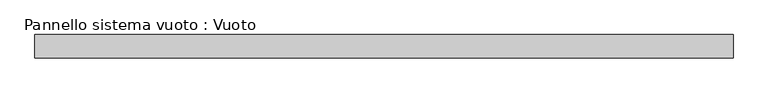
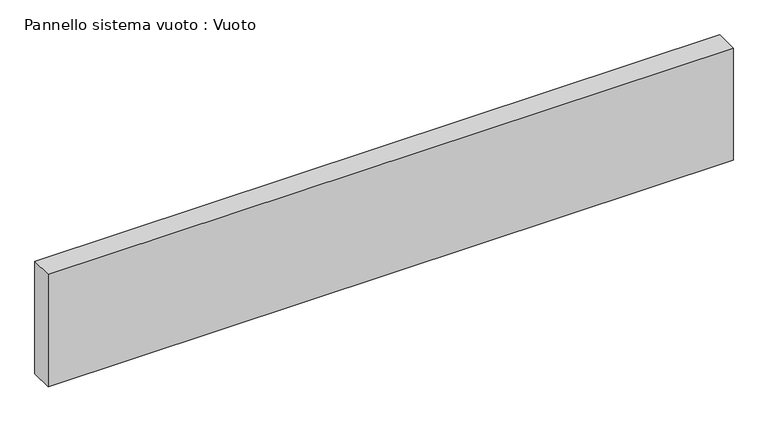
"""IFC4 building model written with IfcOpenShell, lengths in millimetres: plate geometry, Pannello sistema vuoto : Vuoto."""

from ifc_helpers import new_model, si_unit, origin, origin_with_axes, place, context, project, spatial, polyline, outline, extrude, source, transform, mapped, element, save


def pannello_sistema_vuoto_vuoto_2b68757e(model_context):
    return source(origin(), model_context, "Body", "SweptSolid", [
        extrude(outline(polyline([(1500.0, -50.0), (-1500.0, -50.0), (-1500.0, 50.0), (1500.0, 50.0), (1500.0, -50.0)])), origin_with_axes(), (0.0, 0.0, 1.0), 520.0),
    ])


if __name__ == "__main__":
    model = new_model("IFC4")
    model_context = context("Model", 3, world=origin())
    ifc_project = project(units=[si_unit("LENGTHUNIT", "METRE", prefix="MILLI")], contexts=[model_context])
    site = spatial("IfcSite", under=ifc_project)
    building = spatial("IfcBuilding", under=site)
    placement = place(None, origin())
    pannello_sistema_vuoto_vuoto_shape = pannello_sistema_vuoto_vuoto_2b68757e(model_context)
    element("IfcPlate", 1, ObjectType="Pannello sistema vuoto : Vuoto", at=placement, inside=building, context=model_context, shape_type="MappedRepresentation", body=[
        mapped(pannello_sistema_vuoto_vuoto_shape, transform((0.0, 0.0, 0.0), x_axis=(1.0, 0.0, 0.0), y_axis=(0.0, 1.0, 0.0), z_axis=(0.0, 0.0, 1.0))),
    ])
    save(model, "model.ifc")
